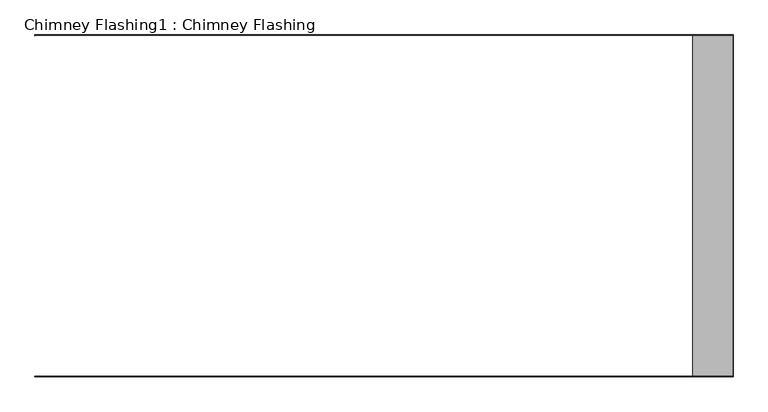
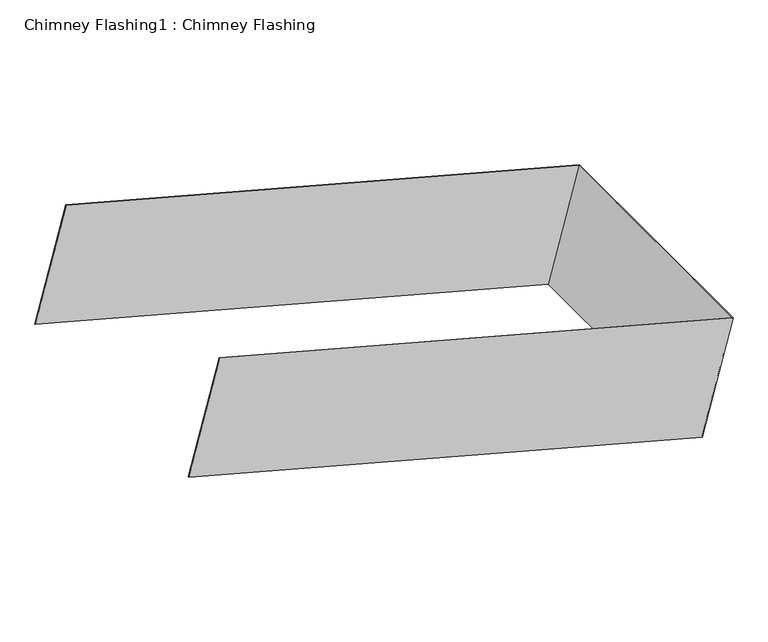
"""IFC4 building model written with IfcOpenShell, lengths in millimetres: proxy geometry, Chimney Flashing1 : Chimney Flashing."""

import ifcopenshell
import ifcopenshell.guid

model = None  # the IFC model being written
_history = None  # IfcOwnerHistory: only IFC2X3 demands one
_inside = {}  # id of a spatial element -> (the spatial element, [elements in it])
_under = {}  # id of a project, library or spatial element -> (it, [spatial elements below it])
_declared = {}  # id of a project -> (the project, [libraries it declares])
_typed = {}  # id of a type object -> (the type object, [elements of that type])
_made_of = {}  # id of a material, layer set ... -> (it, [elements and type objects made of it])


def new_model(schema):
    """Start an empty IFC model of exactly this schema.

    Asked for "IFC4X3", IfcOpenShell would pick the latest addendum, in which some entities
    have other attributes; the version numbers below select the first issue.
    IFC2X3 requires an IfcOwnerHistory on every rooted entity: one is made here for all.
    """
    global model, _history
    if schema == "IFC4X3":
        model = ifcopenshell.file(schema_version=(4, 3, 0, 0))
    else:
        model = ifcopenshell.file(schema=schema)
    _inside.clear()
    _under.clear()
    _declared.clear()
    _typed.clear()
    _made_of.clear()
    _history = None
    if model.schema == "IFC2X3":
        org = make("IfcOrganization", Name="unknown")
        user = make(
            "IfcPersonAndOrganization",
            ThePerson=make("IfcPerson", FamilyName="unknown"),
            TheOrganization=org,
        )
        app = make(
            "IfcApplication",
            ApplicationDeveloper=org,
            Version="unknown",
            ApplicationFullName="unknown",
            ApplicationIdentifier="unknown",
        )
        _history = make(
            "IfcOwnerHistory",
            OwningUser=user,
            OwningApplication=app,
            ChangeAction="ADDED",
            CreationDate=0,
        )
    return model


def make(cls, **values):
    """One entity of the class cls with the attributes given. An attribute that is None is left unset."""
    return model.create_entity(
        cls, **{name: value for name, value in values.items() if value is not None}
    )


def rooted(cls, **values):
    """An entity with a GlobalId (a new one), such as an element, a storey or a relation."""
    return make(cls, GlobalId=ifcopenshell.guid.new(), OwnerHistory=_history, **values)


def si_unit(unit_type, name, prefix=None):
    """IfcSIUnit, for example si_unit("LENGTHUNIT", "METRE", prefix="MILLI")."""
    return make("IfcSIUnit", UnitType=unit_type, Prefix=prefix, Name=name)


def assignment(units):
    """IfcUnitAssignment: the units of a project."""
    return None if units is None else make("IfcUnitAssignment", Units=units)


def point(xyz):
    """IfcCartesianPoint."""
    return None if xyz is None else make("IfcCartesianPoint", Coordinates=xyz)


def direction(xyz):
    """IfcDirection."""
    return None if xyz is None else make("IfcDirection", DirectionRatios=xyz)


def frame(location, z_axis=None, x_axis=None):
    """IfcAxis2Placement3D, a coordinate frame: its origin and axes. An axis left out is left unset."""
    return make(
        "IfcAxis2Placement3D",
        Location=point(location),
        Axis=direction(z_axis),
        RefDirection=direction(x_axis),
    )


def origin():
    """The frame at (0, 0, 0) with its axes left unset."""
    return frame((0.0, 0.0, 0.0))


def place(relative_to, where):
    """IfcLocalPlacement: puts the frame where relative to a parent placement (None: the world)."""
    return make(
        "IfcLocalPlacement", PlacementRelTo=relative_to, RelativePlacement=where
    )


def context(
    kind, dimensions, precision=None, world=None, true_north=None, identifier=None
):
    """IfcGeometricRepresentationContext, for example the 3D "Model" context."""
    return make(
        "IfcGeometricRepresentationContext",
        ContextIdentifier=identifier,
        ContextType=kind,
        CoordinateSpaceDimension=dimensions,
        Precision=precision,
        WorldCoordinateSystem=world,
        TrueNorth=true_north,
    )


def project(units=None, contexts=None):
    """IfcProject with its units and contexts."""
    return rooted(
        "IfcProject",
        Name="project",
        RepresentationContexts=contexts,
        UnitsInContext=assignment(units),
    )


def spatial(cls, under=None, at=None, **own):
    """A site, building, storey or space (cls), placed at a placement, below another one or the project."""
    s = rooted(cls, ObjectPlacement=at, **own)
    if under is not None:
        _under.setdefault(under.id(), (under, []))[1].append(s)
    return s


def polyline(points):
    """IfcPolyline through the points."""
    return make("IfcPolyline", Points=[point(p) for p in points])


def outline(outer, holes=None, kind="AREA"):
    """IfcArbitraryClosedProfileDef: a profile drawn as a closed curve; with holes, ...WithVoids."""
    if holes is None:
        return make("IfcArbitraryClosedProfileDef", ProfileType=kind, OuterCurve=outer)
    return make(
        "IfcArbitraryProfileDefWithVoids",
        ProfileType=kind,
        OuterCurve=outer,
        InnerCurves=holes,
    )


def extrude(swept, where, along, depth):
    """IfcExtrudedAreaSolid: the profile swept, set in the frame where, extruded along a direction by depth."""
    return make(
        "IfcExtrudedAreaSolid",
        SweptArea=swept,
        Position=where,
        ExtrudedDirection=direction(along),
        Depth=depth,
    )


def shape(context_of_items, identifier, shape_type, items):
    """IfcShapeRepresentation: the items that make up one representation, for example the "Body"."""
    return make(
        "IfcShapeRepresentation",
        ContextOfItems=context_of_items,
        RepresentationIdentifier=identifier,
        RepresentationType=shape_type,
        Items=items,
    )


def source(mapping_origin, context_of_items, identifier, shape_type, items):
    """IfcRepresentationMap: a shape defined once, which mapped items show again and again."""
    return make(
        "IfcRepresentationMap",
        MappingOrigin=mapping_origin,
        MappedRepresentation=shape(context_of_items, identifier, shape_type, items),
    )


def transform(
    local_origin,
    x_axis=None,
    y_axis=None,
    z_axis=None,
    scale=None,
    scale2=None,
    scale3=None,
    uniform=True,
):
    """IfcCartesianTransformationOperator3D, or its non-uniform kind. x_axis, y_axis, z_axis: its Axis1, 2, 3."""
    if uniform:
        return make(
            "IfcCartesianTransformationOperator3D",
            Axis1=direction(x_axis),
            Axis2=direction(y_axis),
            LocalOrigin=point(local_origin),
            Scale=scale,
            Axis3=direction(z_axis),
        )
    return make(
        "IfcCartesianTransformationOperator3DnonUniform",
        Axis1=direction(x_axis),
        Axis2=direction(y_axis),
        LocalOrigin=point(local_origin),
        Scale=scale,
        Axis3=direction(z_axis),
        Scale2=scale2,
        Scale3=scale3,
    )


def mapped(mapping_source, mapping_target):
    """IfcMappedItem: shows the shape of a source again, moved by a transform."""
    return make(
        "IfcMappedItem", MappingSource=mapping_source, MappingTarget=mapping_target
    )


def made_of(thing, what):
    """Note that an element or type object is made of a material, layer set ...; save() writes the relation."""
    if what is not None:
        _made_of.setdefault(what.id(), (what, []))[1].append(thing)
    return thing


def element(
    cls,
    number,
    at=None,
    inside=None,
    cuts=None,
    type_object=None,
    material=None,
    context=None,
    identifier="Body",
    shape_type=None,
    held_by="IfcProductDefinitionShape",
    body=None,
    shapes=None,
    **own,
):
    """One element of the class cls, such as IfcWall. Its Tag is "e" and its number.

    at: its placement. inside: the storey or other place that contains it. cuts: it is an
    opening in that element (IfcRelVoidsElement). A single representation is given by context,
    identifier, shape_type and body (its items); several are given by shapes. held_by: the class
    of the entity that holds the representations. save() writes the other relations.
    """
    e = rooted(cls, Tag="e%d" % number, ObjectPlacement=at, **own)
    if body is not None:
        shapes = [shape(context, identifier, shape_type, body)]
    if shapes is not None:
        e.Representation = make(held_by, Representations=shapes)
    if inside is not None:
        _inside.setdefault(inside.id(), (inside, []))[1].append(e)
    if cuts is not None:
        rooted(
            "IfcRelVoidsElement", RelatingBuildingElement=cuts, RelatedOpeningElement=e
        )
    if type_object is not None:
        _typed.setdefault(type_object.id(), (type_object, []))[1].append(e)
    return made_of(e, material)


def aggregate(whole, parts):
    """IfcRelAggregates: a whole, such as a stair, and the parts it consists of."""
    return rooted("IfcRelAggregates", RelatingObject=whole, RelatedObjects=parts)


def save(model, path):
    """Write the relations noted so far, then the file.

    IfcRelAggregates (storeys below a building ...), IfcRelContainedInSpatialStructure (elements
    in a storey), IfcRelDefinesByType, IfcRelAssociatesMaterial and IfcRelDeclares: one each for
    every whole, place, type object, material and project.
    """
    for whole, parts in _under.values():
        aggregate(whole, parts)
    for where, things in _inside.values():
        rooted(
            "IfcRelContainedInSpatialStructure",
            RelatedElements=things,
            RelatingStructure=where,
        )
    for kind, things in _typed.values():
        rooted("IfcRelDefinesByType", RelatedObjects=things, RelatingType=kind)
    for what, things in _made_of.values():
        rooted("IfcRelAssociatesMaterial", RelatedObjects=things, RelatingMaterial=what)
    for by, libraries in _declared.values():
        rooted("IfcRelDeclares", RelatingContext=by, RelatedDefinitions=libraries)
    model.write(path)


def chimney_flashing1_chimney_flashing_90e2ebac(model_context):
    return source(origin(), model_context, "Body", "SweptSolid", [
        extrude(outline(polyline([(0.0, -1.0), (0.0, 0.0), (1200.9999999, 0.0), (1200.9999999, -602.0), (0.0, -602.0), (0.0, -601.0), (1199.9999999, -601.0), (1199.9999999, -1.0), (0.0, -1.0)])), frame((9864.037993, -12620.7134194, 7284.2509927), z_axis=(0.25856567691211163, 0.0, 0.9659936804777667), x_axis=(0.9659936804777667, 0.0, -0.25856567691211163)), (0.0, 0.0, 1.0), 269.6718079),
    ])


if __name__ == "__main__":
    model = new_model("IFC4")
    model_context = context("Model", 3, world=origin())
    ifc_project = project(units=[si_unit("LENGTHUNIT", "METRE", prefix="MILLI")], contexts=[model_context])
    site = spatial("IfcSite", under=ifc_project)
    building = spatial("IfcBuilding", under=site)
    placement = place(None, origin())
    chimney_flashing1_chimney_flashing_shape = chimney_flashing1_chimney_flashing_90e2ebac(model_context)
    element("IfcBuildingElementProxy", 1, Name="Chimney Flashing1 : Chimney Flashing", ObjectType="Chimney Flashing1 : Chimney Flashing", at=placement, inside=building, context=model_context, shape_type="MappedRepresentation", body=[
        mapped(chimney_flashing1_chimney_flashing_shape, transform((0.0, 0.0, 0.0), x_axis=(1.0, 0.0, 0.0), y_axis=(0.0, 1.0, 0.0), z_axis=(0.0, 0.0, 1.0))),
    ])
    save(model, "model.ifc")
